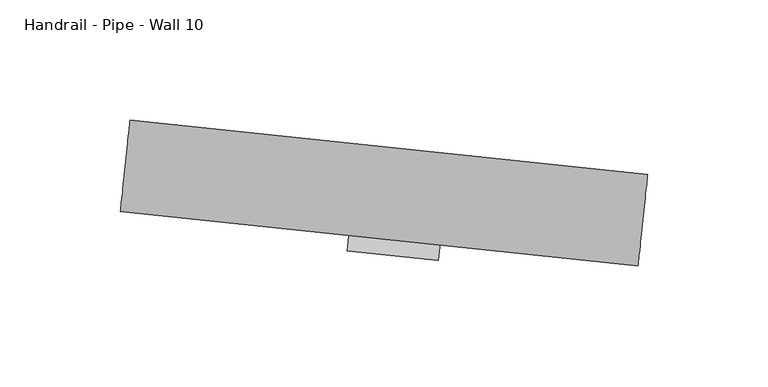
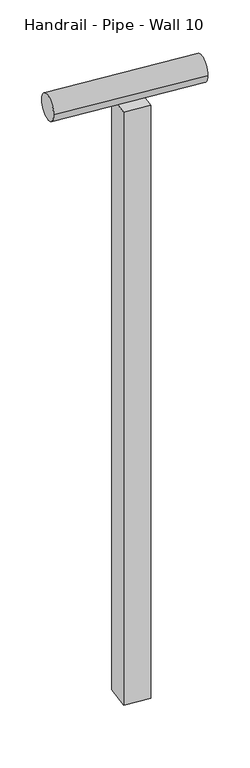
"""IFC4 building model written with IfcOpenShell, lengths in millimetres: railing geometry, Handrail - Pipe - Wall 10."""

from ifc_helpers import new_model, si_unit, point, frame, frame_2d, origin, place, context, project, spatial, polyline, circle_curve, trimmed, segment, composite_curve, outline, extrude, source, transform, mapped, element, save


def handrail_pipe_wall_10_dce0a510(model_context):
    return source(origin(), model_context, "Body", "SweptSolid", [
        extrude(outline(composite_curve([segment(trimmed(circle_curve(frame_2d((0.0, 19.05)), 19.05), [point((19.05, 19.05))], [point((-19.05, 19.05))], False, "CARTESIAN"), True, "CONTINUOUS"), segment(trimmed(circle_curve(frame_2d((0.0, 19.05)), 19.05), [point((-19.05, 19.05))], [point((19.05, 19.05))], False, "CARTESIAN"), True, "CONTINUOUS")], self_intersect=False)), frame((-13882.6985233, 18030.6234163, -10391.775), z_axis=(-0.9945218953682705, 0.10452846326768088, 0.0), x_axis=(0.10452846326768088, 0.9945218953682705, 0.0)), (0.0, 0.0, 1.0), 215.9),
        extrude(outline(polyline([(-14005.342613, 18017.9739192), (-14001.3600785, 18055.8652034), (-13963.4687943, 18051.882669), (-13967.4513288, 18013.9913848), (-14005.342613, 18017.9739192)])), frame((0.0, 0.0, -11356.975), z_axis=(0.0, 0.0, 1.0), x_axis=(1.0, 0.0, 0.0)), (0.0, 0.0, 1.0), 927.1),
    ])


if __name__ == "__main__":
    model = new_model("IFC4")
    model_context = context("Model", 3, world=origin())
    ifc_project = project(units=[si_unit("LENGTHUNIT", "METRE", prefix="MILLI")], contexts=[model_context])
    site = spatial("IfcSite", under=ifc_project)
    building = spatial("IfcBuilding", under=site)
    placement = place(None, origin())
    handrail_pipe_wall_10_shape = handrail_pipe_wall_10_dce0a510(model_context)
    element("IfcRailing", 1, ObjectType="Handrail - Pipe - Wall 10", at=placement, inside=building, context=model_context, shape_type="MappedRepresentation", body=[
        mapped(handrail_pipe_wall_10_shape, transform((0.0, 0.0, 0.0), x_axis=(1.0, 0.0, 0.0), y_axis=(0.0, 1.0, 0.0), z_axis=(0.0, 0.0, 1.0))),
    ])
    save(model, "model.ifc")
